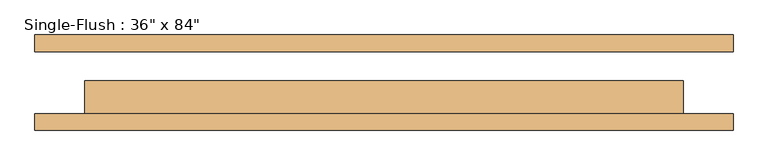
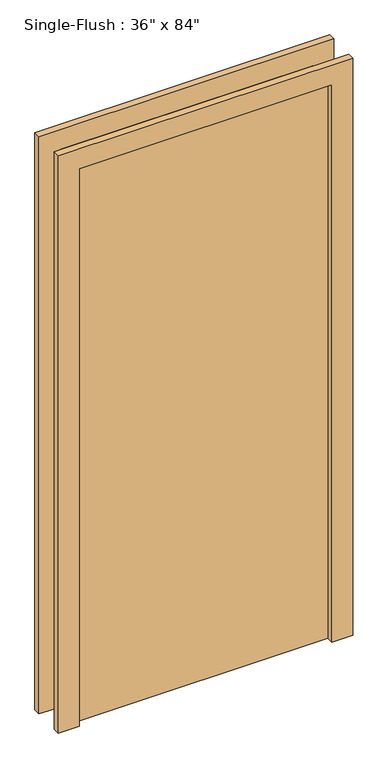
"""IFC4 building model written with IfcOpenShell, lengths in millimetres: door geometry."""

from ifc_helpers import new_model, si_unit, frame, origin, origin_with_axes, place, context, project, spatial, polyline, outline, extrude, source, transform, mapped, element, save


def door_33cb565d(model_context):
    return source(origin(), model_context, "Body", "SweptSolid", [
        extrude(outline(polyline([(2209.8, -533.4), (0.0, -533.4), (0.0, -457.2), (2133.6, -457.2), (2133.6, 457.2), (0.0, 457.2), (0.0, 533.4), (2209.8, 533.4), (2209.8, -533.4)])), frame((0.0, -73.025, 0.0), z_axis=(0.0, 1.0, 0.0), x_axis=(0.0, 0.0, 1.0)), (0.0, 0.0, 1.0), 25.4),
        extrude(outline(polyline([(2209.8, 533.4), (2209.8, -533.4), (0.0, -533.4), (0.0, -457.2), (2133.6, -457.2), (2133.6, 457.2), (0.0, 457.2), (0.0, 533.4), (2209.8, 533.4)])), frame((0.0, 47.625, 0.0), z_axis=(0.0, 1.0, 0.0), x_axis=(0.0, 0.0, 1.0)), (0.0, 0.0, 1.0), 25.4),
        extrude(outline(polyline([(457.2, 3.175), (457.2, -47.625), (-457.2, -47.625), (-457.2, 3.175), (457.2, 3.175)])), origin_with_axes(), (0.0, 0.0, 1.0), 2133.6),
    ])


if __name__ == "__main__":
    model = new_model("IFC4")
    model_context = context("Model", 3, world=origin())
    ifc_project = project(units=[si_unit("LENGTHUNIT", "METRE", prefix="MILLI")], contexts=[model_context])
    site = spatial("IfcSite", under=ifc_project)
    building = spatial("IfcBuilding", under=site)
    placement = place(None, origin())
    door_shape = door_33cb565d(model_context)
    element("IfcDoor", 1, ObjectType="Single-Flush : 36\" x 84\"", at=placement, inside=building, context=model_context, shape_type="MappedRepresentation", body=[
        mapped(door_shape, transform((0.0, 0.0, 0.0), x_axis=(1.0, 0.0, 0.0), y_axis=(0.0, 1.0, 0.0), z_axis=(0.0, 0.0, 1.0))),
    ])
    save(model, "model.ifc")
